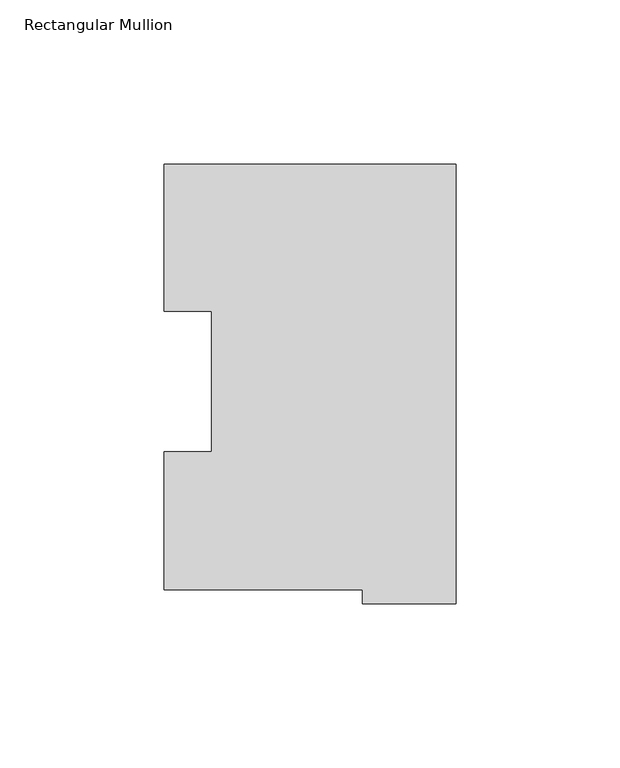
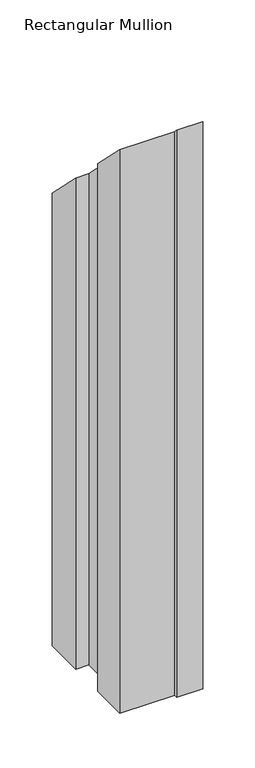
"""IFC4 building model written with IfcOpenShell, lengths in millimetres: member geometry, Rectangular Mullion."""

from ifc_helpers import new_model, si_unit, origin, place, context, project, spatial, faceted_brep, source, transform, mapped, element, save


def rectangular_mullion_76ac3169(model_context):
    return source(origin(), model_context, "Body", "Brep", [
        faceted_brep([(-88.99652, 130.0368875, -660.4), (0.0, 130.0368875, -660.4), (0.0, -3.9735125, -660.4), (-28.56992, -3.9735125, -660.4), (-28.56992, 0.2428875, -660.4), (-89.1408142, 0.2428875, -660.4), (-89.1408142, 42.2798875, -660.4), (-74.6252, 42.2798875, -660.4), (-74.6252, 85.1296875, -660.4), (-88.99652, 85.1296875, -660.4), (-88.99652, 85.1296875, -85.1296875), (-88.99652, 130.0368875, -130.0368875), (-74.6252, 85.1296875, -85.1296875), (-74.6252, 42.2798875, -42.2798875), (-89.1408142, 42.2798875, -42.2798875), (-89.1408142, 0.2428875, -0.2428875), (-28.56992, 0.2428875, -0.2428875), (-28.56992, -3.9735125, 3.9735125), (0.0, -3.9735125, 3.9735125), (0.0, 130.0368875, -130.0368875)], [[[0, 1, 2, 3, 4, 5, 6, 7, 8, 9]], [[10, 11, 0, 9]], [[12, 10, 9, 8]], [[13, 12, 8, 7]], [[14, 13, 7, 6]], [[15, 14, 6, 5]], [[16, 15, 5, 4]], [[17, 16, 4, 3]], [[18, 17, 3, 2]], [[19, 18, 2, 1]], [[11, 19, 1, 0]], [[11, 10, 12, 13, 14, 15, 16, 17, 18, 19]]]),
    ])


if __name__ == "__main__":
    model = new_model("IFC4")
    model_context = context("Model", 3, world=origin())
    ifc_project = project(units=[si_unit("LENGTHUNIT", "METRE", prefix="MILLI")], contexts=[model_context])
    site = spatial("IfcSite", under=ifc_project)
    building = spatial("IfcBuilding", under=site)
    placement = place(None, origin())
    rectangular_mullion_shape = rectangular_mullion_76ac3169(model_context)
    element("IfcMember", 1, ObjectType="Rectangular Mullion", at=placement, inside=building, context=model_context, shape_type="MappedRepresentation", body=[
        mapped(rectangular_mullion_shape, transform((0.0, 0.0, 0.0), x_axis=(1.0, 0.0, 0.0), y_axis=(0.0, 1.0, 0.0), z_axis=(0.0, 0.0, 1.0))),
    ])
    save(model, "model.ifc")
